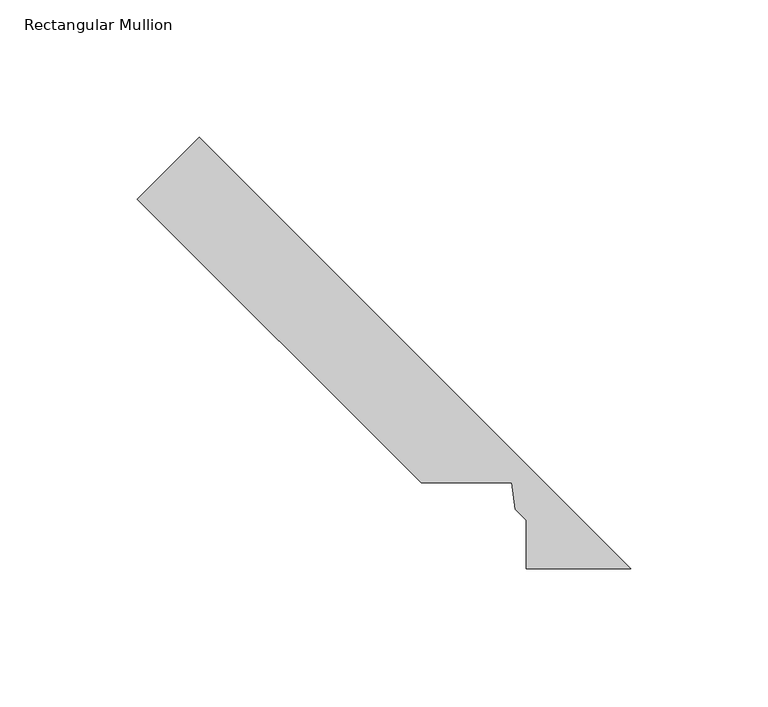
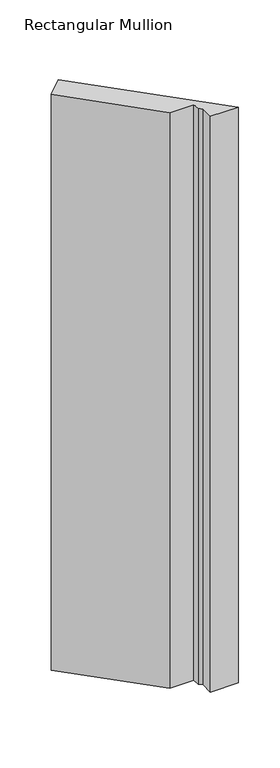
"""IFC4 building model written with IfcOpenShell, lengths in millimetres: member geometry, Rectangular Mullion."""

from ifc_helpers import new_model, si_unit, frame, origin, place, context, project, spatial, polyline, outline, extrude, source, transform, mapped, element, save


def rectangular_mullion_26dc60c1(model_context):
    return source(origin(), model_context, "Body", "SweptSolid", [
        extrude(outline(polyline([(-199.5040807, 154.6028001), (-177.0534404, 177.0534404), (-20.0421875, 20.0421875), (-58.0930196, 20.0421875), (-58.0930196, 37.6714196), (-62.0986242, 41.6770242), (-63.276004, 51.3118941), (-96.2131748, 51.3118941), (-199.5040807, 154.6028001)])), frame((0.0, 0.0, -838.2), z_axis=(0.0, 0.0, 1.0), x_axis=(1.0, 0.0, 0.0)), (0.0, 0.0, 1.0), 838.2),
    ])


if __name__ == "__main__":
    model = new_model("IFC4")
    model_context = context("Model", 3, world=origin())
    ifc_project = project(units=[si_unit("LENGTHUNIT", "METRE", prefix="MILLI")], contexts=[model_context])
    site = spatial("IfcSite", under=ifc_project)
    building = spatial("IfcBuilding", under=site)
    placement = place(None, origin())
    rectangular_mullion_shape = rectangular_mullion_26dc60c1(model_context)
    element("IfcMember", 1, ObjectType="Rectangular Mullion", at=placement, inside=building, context=model_context, shape_type="MappedRepresentation", body=[
        mapped(rectangular_mullion_shape, transform((0.0, 0.0, 0.0), x_axis=(1.0, 0.0, 0.0), y_axis=(0.0, 1.0, 0.0), z_axis=(0.0, 0.0, 1.0))),
    ])
    save(model, "model.ifc")
